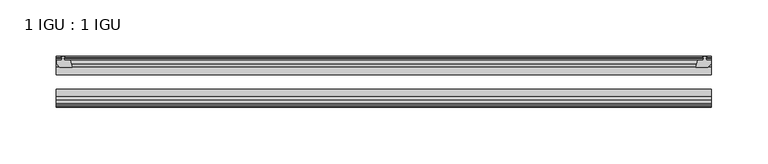
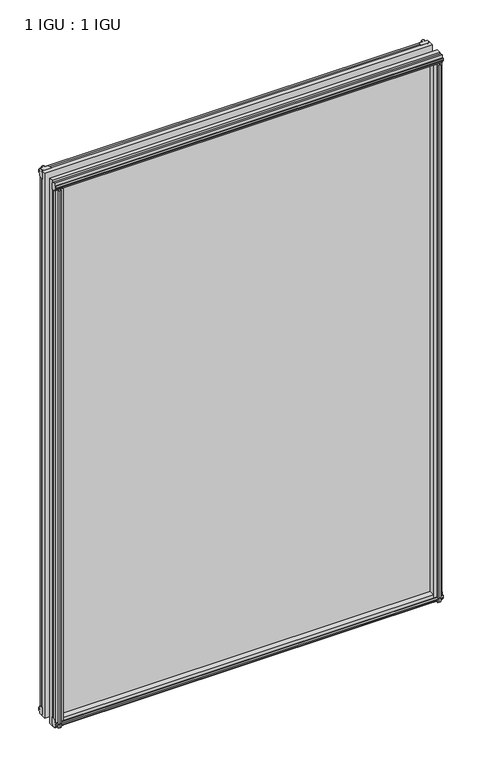
"""IFC4 building model written with IfcOpenShell, lengths in millimetres: plate geometry, 1 IGU : 1 IGU."""

from ifc_helpers import new_model, si_unit, frame, origin, place, context, project, spatial, polyline, outline, extrude, source, transform, mapped, element, save


def plate_1_igu_1_igu_467c0eea(model_context):
    return source(origin(), model_context, "Body", "SweptSolid", [
        extrude(outline(polyline([(271.0875399, -10.4746158), (273.2650689, -9.7670938), (275.442598, -10.4746158), (275.442598, -11.27583), (274.0270689, -10.8158968), (274.4080689, -13.1960938), (278.8530689, -13.1960938), (278.8530689, -16.1424938), (276.0187268, -19.5460938), (265.1973509, -19.5460938), (266.9150689, -13.1960938), (272.1220689, -13.1960938), (272.5030689, -10.8158968), (271.0875399, -11.27583), (271.0875399, -10.4746158)])), frame((0.0, 0.0, -12.4587), z_axis=(0.0, 0.0, 1.0), x_axis=(1.0, 0.0, 0.0)), (0.0, 0.0, 1.0), 863.1174001),
        extrude(outline(polyline([(-295.7877252, -9.7670937), (-293.6101961, -10.4746158), (-293.6101961, -11.27583), (-295.0257252, -10.8158968), (-294.6447252, -13.1960937), (-289.4377252, -13.1960937), (-287.7200071, -19.5460937), (-298.541383, -19.5460937), (-301.3757252, -16.1424937), (-301.3757252, -13.1960937), (-296.9307252, -13.1960937), (-296.5497252, -10.8158968), (-297.9652542, -11.27583), (-297.9652542, -10.4746158), (-295.7877252, -9.7670937)])), frame((0.0, 0.0, -12.4587), z_axis=(0.0, 0.0, 1.0), x_axis=(1.0, 0.0, 0.0)), (0.0, 0.0, 1.0), 863.1174001),
        extrude(outline(polyline([(264.6799528, -44.9460938), (275.5013288, -44.9460938), (278.3356709, -48.3496938), (278.3356709, -51.2960938), (273.8906709, -51.2960938), (273.5096709, -53.6762907), (274.9252, -53.2163575), (274.9252, -54.0175717), (272.7476709, -54.7250938), (270.5701419, -54.0175717), (270.5701419, -53.2163575), (271.9856709, -53.6762907), (271.6046709, -51.2960938), (266.3976709, -51.2960938), (264.6799528, -44.9460938)])), frame((0.0, 0.0, -12.4587), z_axis=(0.0, 0.0, 1.0), x_axis=(1.0, 0.0, 0.0)), (0.0, 0.0, 1.0), 850.4174001),
        extrude(outline(polyline([(-287.1993071, -44.9460937), (-288.9170252, -51.2960937), (-294.1240252, -51.2960937), (-294.5050252, -53.6762907), (-293.0894961, -53.2163575), (-293.0894961, -54.0175717), (-295.2670252, -54.7250937), (-297.4445542, -54.0175717), (-297.4445542, -53.2163575), (-296.0290252, -53.6762907), (-296.4100252, -51.2960937), (-300.8550252, -51.2960937), (-300.8550252, -48.3496937), (-298.020683, -44.9460937), (-287.1993071, -44.9460937)])), frame((0.0, 0.0, -12.4587), z_axis=(0.0, 0.0, 1.0), x_axis=(1.0, 0.0, 0.0)), (0.0, 0.0, 1.0), 850.4174001),
        extrude(outline(polyline([(-10.4746158, -4.6931709), (-9.7670937, -6.8707), (-10.4746158, -9.0482291), (-11.27583, -9.0482291), (-10.8158968, -7.6327), (-13.1960937, -8.0137), (-13.1960937, -12.4587), (-16.1424937, -12.4587), (-19.5460937, -9.6243578), (-19.5460937, 1.1970181), (-13.1960937, -0.5207), (-13.1960937, -5.7277), (-10.8158968, -6.1087), (-11.27583, -4.6931709), (-10.4746158, -4.6931709)])), frame((-301.6170252, 0.0, 0.0), z_axis=(1.0, 0.0, 0.0), x_axis=(0.0, 1.0, 0.0)), (0.0, 0.0, 1.0), 580.5129566),
        extrude(outline(polyline([(-44.9460937, 1.7177181), (-44.9460937, -9.1036578), (-48.3496937, -11.938), (-51.2960937, -11.938), (-51.2960937, -7.493), (-53.6762907, -7.112), (-53.2163575, -8.5275291), (-54.0175717, -8.5275291), (-54.7250937, -6.35), (-54.0175717, -4.1724709), (-53.2163575, -4.1724709), (-53.6762907, -5.588), (-51.2960937, -5.207), (-51.2960937, 0.0), (-44.9460937, 1.7177181)])), frame((-301.6170252, 0.0, 0.0), z_axis=(1.0, 0.0, 0.0), x_axis=(0.0, 1.0, 0.0)), (0.0, 0.0, 1.0), 580.5129566),
        extrude(outline(polyline([(-10.8158968, 845.8327001), (-11.27583, 847.2482291), (-10.4746158, 847.2482291), (-9.7670937, 845.0707001), (-10.4746158, 842.893171), (-11.27583, 842.893171), (-10.8158968, 844.3087001), (-13.1960937, 843.9277001), (-13.1960937, 838.7207001), (-19.5460938, 837.002982), (-19.5460938, 847.8243579), (-16.1424937, 850.6587001), (-13.1960937, 850.6587001), (-13.1960937, 846.2137001), (-10.8158968, 845.8327001)])), frame((-301.6170252, 0.0, 0.0), z_axis=(1.0, 0.0, 0.0), x_axis=(0.0, 1.0, 0.0)), (0.0, 0.0, 1.0), 580.5129566),
        extrude(outline(polyline([(-51.2960937, 850.1380001), (-48.3496937, 850.1380001), (-44.9460938, 847.3036579), (-44.9460938, 836.482282), (-51.2960937, 838.2000001), (-51.2960937, 843.4070001), (-53.6762907, 843.7880001), (-53.2163575, 842.372471), (-54.0175717, 842.372471), (-54.7250937, 844.5500001), (-54.0175717, 846.7275291), (-53.2163575, 846.7275291), (-53.6762907, 845.3120001), (-51.2960937, 845.6930001), (-51.2960937, 850.1380001)])), frame((-301.6170252, 0.0, 0.0), z_axis=(1.0, 0.0, 0.0), x_axis=(0.0, 1.0, 0.0)), (0.0, 0.0, 1.0), 580.5129566),
        extrude(outline(polyline([(-301.6170252, -38.9186738), (278.8959314, -38.9186738), (278.8959314, -44.9460937), (-301.6170252, -44.9460937), (-301.6170252, -38.9186738)])), frame((0.0, 0.0, -12.7), z_axis=(0.0, 0.0, 1.0), x_axis=(1.0, 0.0, 0.0)), (0.0, 0.0, 1.0), 863.6000001),
        extrude(outline(polyline([(-301.6170252, -19.5460937), (278.8959314, -19.5460937), (278.8959314, -25.8960938), (-301.6170252, -25.8960938), (-301.6170252, -19.5460937)])), frame((0.0, 0.0, -12.7), z_axis=(0.0, 0.0, 1.0), x_axis=(1.0, 0.0, 0.0)), (0.0, 0.0, 1.0), 863.6000001),
    ])


if __name__ == "__main__":
    model = new_model("IFC4")
    model_context = context("Model", 3, world=origin())
    ifc_project = project(units=[si_unit("LENGTHUNIT", "METRE", prefix="MILLI")], contexts=[model_context])
    site = spatial("IfcSite", under=ifc_project)
    building = spatial("IfcBuilding", under=site)
    placement = place(None, origin())
    plate_1_igu_1_igu_shape = plate_1_igu_1_igu_467c0eea(model_context)
    element("IfcPlate", 1, ObjectType="1 IGU : 1 IGU", at=placement, inside=building, context=model_context, shape_type="MappedRepresentation", body=[
        mapped(plate_1_igu_1_igu_shape, transform((0.0, 0.0, 0.0), x_axis=(1.0, 0.0, 0.0), y_axis=(0.0, 1.0, 0.0), z_axis=(0.0, 0.0, 1.0))),
    ])
    save(model, "model.ifc")
